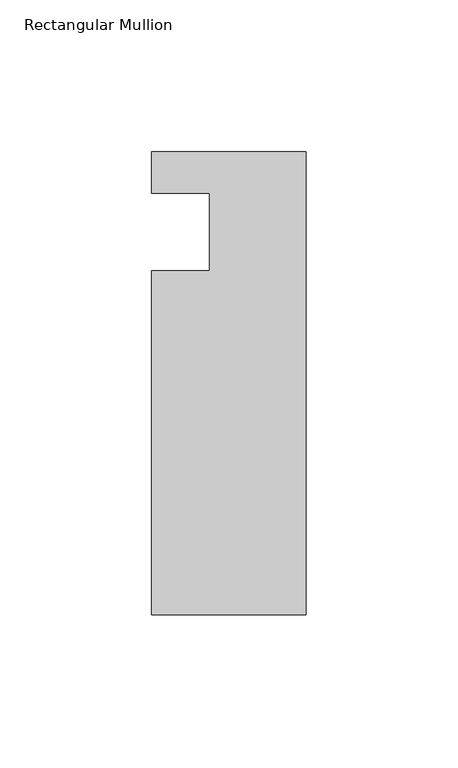
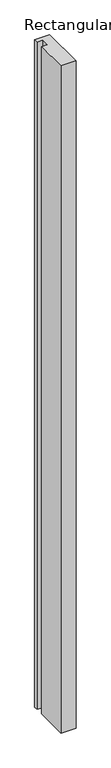
"""IFC4 building model written with IfcOpenShell, lengths in millimetres: member geometry, Rectangular Mullion."""

from ifc_helpers import new_model, si_unit, frame, origin, place, context, project, spatial, polyline, outline, extrude, source, transform, mapped, element, save


def rectangular_mullion_214e7052(model_context):
    return source(origin(), model_context, "Body", "SweptSolid", [
        extrude(outline(polyline([(-50.8, 13.6728928), (0.0, 13.6728928), (0.0, -138.7271072), (-50.8, -138.7271072), (-50.8, -25.4), (-31.75, -25.4), (-31.75, 0.0), (-50.8, 0.0), (-50.8, 13.6728928)])), frame((0.0, 0.0, -2374.9), z_axis=(0.0, 0.0, 1.0), x_axis=(1.0, 0.0, 0.0)), (0.0, 0.0, 1.0), 2374.9),
    ])


if __name__ == "__main__":
    model = new_model("IFC4")
    model_context = context("Model", 3, world=origin())
    ifc_project = project(units=[si_unit("LENGTHUNIT", "METRE", prefix="MILLI")], contexts=[model_context])
    site = spatial("IfcSite", under=ifc_project)
    building = spatial("IfcBuilding", under=site)
    placement = place(None, origin())
    rectangular_mullion_shape = rectangular_mullion_214e7052(model_context)
    element("IfcMember", 1, ObjectType="Rectangular Mullion", at=placement, inside=building, context=model_context, shape_type="MappedRepresentation", body=[
        mapped(rectangular_mullion_shape, transform((0.0, 0.0, 0.0), x_axis=(1.0, 0.0, 0.0), y_axis=(0.0, 1.0, 0.0), z_axis=(0.0, 0.0, 1.0))),
    ])
    save(model, "model.ifc")
